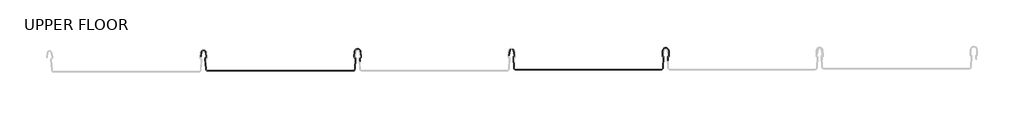
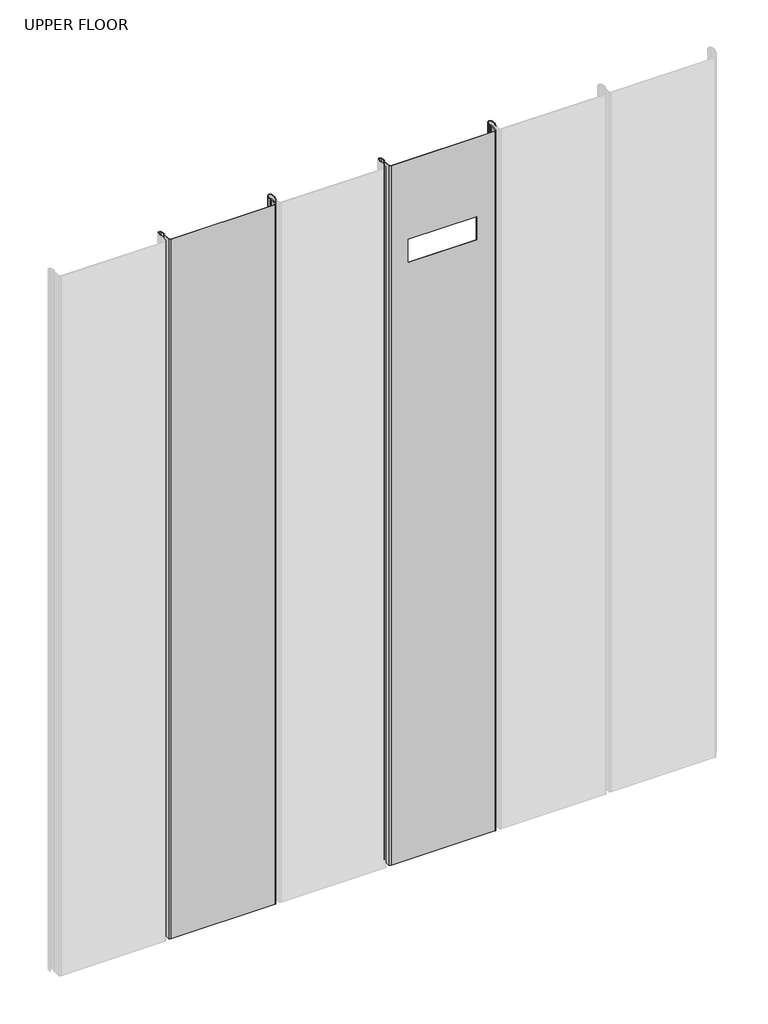
# One storey, part 2 of 3: 2 beams.
"""IFC4 building model written with IfcOpenShell, lengths in millimetres."""

from ifc_helpers import new_model, si_unit, frame, origin, place, context, project, spatial, polyline, circle_curve, element, save
from ifc_brep_helpers import plane_surface, cylinder_surface, revolved_surface, advanced_brep

model = new_model("IFC4")

# Units and contexts
model_context = context("Model", 3, world=origin())
ifc_project = project(units=[si_unit("LENGTHUNIT", "METRE", prefix="MILLI")], contexts=[model_context])

# Site, building, storey
site = spatial("IfcSite", under=ifc_project)
building = spatial("IfcBuilding", under=site)
storey = spatial("IfcBuildingStorey", under=building, Name="UPPER FLOOR", Elevation=2700.0)

# Beams
placement = place(None, origin())
element("IfcBeam", 1, at=placement, inside=storey, context=model_context, shape_type="AdvancedBrep", body=[
    advanced_brep(
    [(6537.6484245, 568.8409644, -2290.7143486), (6542.1824499, 572.6165431, -2290.7143486), (6546.6892644, 568.9772193, -2290.7143486), (6549.1362639, 557.6182823, -2290.7143486), (6547.4776045, 555.1638829, -2290.7143486), (6546.3084397, 553.4528428, -2290.7143486), (6547.7989613, 530.0431518, -2290.7143486), (6551.493413, 526.5782594, -2290.7143486), (6871.7423658, 526.5782594, -2290.7143486), (6875.4351431, 530.0471851, -2290.7143486), (6876.9046464, 553.5311847, -2290.7143486), (6876.2767187, 554.4646027, -2290.7143486), (6874.0650809, 557.5303943, -2290.7143486), (6874.9486196, 568.7068973, -2290.7143486), (6882.1782716, 575.3875772, -2290.7143486), (6889.4079236, 568.7068973, -2290.7143486), (6890.2914624, 557.5303943, -2290.7143486), (6888.0798245, 554.4646027, -2290.7143486), (6887.4518968, 553.5311847, -2290.7143486), (6887.8436113, 547.2712311, -2290.7143486), (6886.8416554, 547.2712311, -2290.7143486), (6886.4342466, 553.7819943, -2290.7143486), (6887.8396626, 555.4354564, -2290.7143486), (6889.2940832, 557.4515869, -2290.7143486), (6888.4043927, 568.7059067, -2290.7143486), (6882.1782716, 574.3875772, -2290.7143486), (6875.9454156, 568.6269005, -2290.7143486), (6875.0578168, 557.3716995, -2290.7143486), (6876.5168806, 555.4354564, -2290.7143486), (6877.9222966, 553.7819943, -2290.7143486), (6876.4331911, 529.9847326, -2290.7143486), (6871.7423658, 525.5782594, -2290.7143486), (6551.4936581, 525.5782594, -2290.7143486), (6546.8009821, 529.9796093, -2290.7143486), (6545.3102476, 553.3926444, -2290.7143486), (6547.2138284, 556.1292569, -2290.7143486), (6548.1504717, 557.4458071, -2290.7143486), (6545.7347867, 568.6501403, -2290.7143486), (6542.1719409, 571.6175289, -2290.7143486), (6538.6979467, 569.0218386, -2290.7143486), (6536.6706959, 557.913848, -2290.7143486), (6535.670836, 558.0979028, -2290.7143486), (6889.2940832, 557.4515869, -10.7143486), (6888.4043927, 568.7059067, -10.7143486), (6887.8436113, 547.2712311, -10.7143486), (6886.8416554, 547.2712311, -10.7143486), (6536.6706959, 557.913848, -10.7143486), (6535.670836, 558.0979028, -10.7143486), (6537.6484245, 568.8409644, -10.7143486), (6538.6979467, 569.0218386, -10.7143486), (6542.1719409, 571.6175289, -10.7143486), (6545.7347867, 568.6501403, -10.7143486), (6548.1504717, 557.4458071, -10.7143486), (6547.2138284, 556.1292569, -10.7143486), (6545.3102476, 553.3926444, -10.7143486), (6546.8009821, 529.9796093, -10.7143486), (6551.4936581, 525.5782594, -10.7143486), (6871.7423658, 525.5782594, -10.7143486), (6876.4331911, 529.9847326, -10.7143486), (6877.9222966, 553.7819943, -10.7143486), (6876.5168806, 555.4354564, -10.7143486), (6875.0578168, 557.3716995, -10.7143486), (6875.9454156, 568.6269005, -10.7143486), (6882.1782716, 574.3875772, -10.7143486), (6887.8396626, 555.4354564, -10.7143486), (6886.4342466, 553.7819943, -10.7143486), (6887.4518968, 553.5311847, -10.7143486), (6888.0798245, 554.4646027, -10.7143486), (6890.2848737, 557.6137392, -10.7143486), (6889.4079236, 568.7068973, -10.7143486), (6882.1782716, 575.3875772, -10.7143486), (6874.9486196, 568.7068973, -10.7143486), (6874.0650809, 557.5303943, -10.7143486), (6876.2767187, 554.4646027, -10.7143486), (6876.9046464, 553.5311847, -10.7143486), (6875.4351431, 530.0471851, -10.7143486), (6871.7423658, 526.5782594, -10.7143486), (6551.493413, 526.5782594, -10.7143486), (6547.7989613, 530.0431518, -10.7143486), (6546.3084397, 553.4528428, -10.7143486), (6547.4776045, 555.1638829, -10.7143486), (6549.1362639, 557.6182823, -10.7143486), (6546.6892644, 568.9772193, -10.7143486), (6542.1824499, 572.6165431, -10.7143486), (6605.2291431, 525.5782594, -269.6767859), (6815.2291431, 525.5782594, -269.6767859), (6815.2291431, 525.5782594, -344.6767859), (6605.2291431, 525.5782594, -344.6767859), (6815.2291431, 526.5782594, -269.6767859), (6605.2291431, 526.5782594, -269.6767859), (6605.2291431, 526.5782594, -344.6767859), (6815.2291431, 526.5782594, -344.6767859)],
    [
        (0, 1, circle_curve(frame((6542.1824499, 568.0063386, -2290.7143486), z_axis=(0.0, 0.0, -1.0), x_axis=(-1.0000000000000002, 0.0, 0.0)), 4.6102046)),
        (1, 2, circle_curve(frame((6542.1824499, 568.0063386, -2290.7143486), z_axis=(0.0, 0.0, -1.0), x_axis=(-0.21059384440200676, 0.9775736456656264, 0.0)), 4.6102046)),
        (2, 3),
        (3, 4, circle_curve(frame((6546.7520714, 557.4418438, -2290.7143486), z_axis=(0.0, 0.0, -1.0), x_axis=(0.9528378408797891, 0.30347989881957954, 0.0)), 2.3907121)),
        (4, 5, circle_curve(frame((6547.9885021, 553.5598143, -2290.7143486), z_axis=(0.0, 0.0, 1.0), x_axis=(-0.06354246328301918, 0.9979791357337721, 0.0)), 1.6834645)),
        (5, 6),
        (6, 7, circle_curve(frame((6551.4914841, 530.2782589, -2290.7143486), z_axis=(0.0, 0.0, 1.0), x_axis=(-0.9999998641088235, -0.0005213274739309239, 0.0)), 3.7)),
        (7, 8),
        (8, 9, circle_curve(frame((6871.7423658, 530.2782594, -2290.7143486), z_axis=(0.0, 0.0, 1.0), x_axis=(-0.06245250868722483, -0.9980479368039756, 0.0)), 3.7)),
        (9, 10),
        (10, 11, circle_curve(frame((6875.9826765, 553.5888767, -2290.7143486), z_axis=(0.0, 0.0, 1.0), x_axis=(0.9479881328261022, -0.3183056707331505, 0.0)), 0.9237732)),
        (11, 12, circle_curve(frame((6876.976741, 557.3002181, -2290.7143486), z_axis=(0.0, 0.0, -1.0), x_axis=(-0.07880737243916829, -0.9968898625471295, 0.0)), 2.9207441)),
        (12, 13),
        (13, 14, circle_curve(frame((6882.1782716, 568.1353699, -2290.7143486), z_axis=(0.0, 0.0, -1.0), x_axis=(-1.0000000000000002, 0.0, 0.0)), 7.2522073)),
        (14, 15, circle_curve(frame((6882.1782716, 568.1353699, -2290.7143486), z_axis=(0.0, 0.0, -1.0), x_axis=(-0.07880737243912266, 0.9968898625471331, 0.0)), 7.2522073)),
        (15, 16),
        (16, 17, circle_curve(frame((6887.3783805, 557.3023233, -2290.7143486), z_axis=(0.0, 0.0, -1.0), x_axis=(0.9707819351134734, 0.239963402329064, 0.0)), 2.9231288)),
        (17, 18, circle_curve(frame((6888.2808188, 553.6514717, -2290.7143486), z_axis=(0.0, 0.0, 1.0), x_axis=(-0.14360843272178023, 0.9896345881441262, 0.0)), 0.8376041)),
        (18, 19),
        (19, 20, circle_curve(frame((6887.3426333, 547.2712311, -2290.7143486), z_axis=(0.0, 0.0, -1.0), x_axis=(0.0, -1.0000000000000002, 0.0)), 0.5009779)),
        (20, 21),
        (21, 22, circle_curve(frame((6888.2845627, 553.6332771, -2290.7143486), z_axis=(0.0, 0.0, -1.0), x_axis=(-0.9708537722163971, -0.2396725953737565, 0.0)), 1.856283)),
        (22, 23, circle_curve(frame((6887.3793128, 557.3002181, -2290.7143486), z_axis=(0.0, 0.0, 1.0), x_axis=(0.07880737243914217, -0.9968898625471315, 0.0)), 1.9207441)),
        (23, 24),
        (24, 25, circle_curve(frame((6882.255321, 568.2198027, -2290.7143486), z_axis=(0.0, 0.0, 1.0), x_axis=(0.999921980842138, 0.012491286112137758, 0.0)), 6.1682558)),
        (25, 26, circle_curve(frame((6882.2574459, 568.049706, -2290.7143486), z_axis=(0.0, 0.0, 1.0), x_axis=(0.09106361391822018, 0.9958450774192509, 0.0)), 6.3383658)),
        (26, 27),
        (27, 28, circle_curve(frame((6876.8812616, 557.2279004, -2290.7143486), z_axis=(0.0, 0.0, 1.0), x_axis=(-0.9799562955839812, 0.19921259685401757, 0.0)), 1.8291061)),
        (28, 29, circle_curve(frame((6876.1669264, 553.7139796, -2290.7143486), z_axis=(0.0, 0.0, -1.0), x_axis=(-0.03871763325448475, 0.9992501913310659, 0.0)), 1.7566874)),
        (29, 30),
        (30, 31, circle_curve(frame((6871.7423658, 530.2782594, -2290.7143486), z_axis=(0.0, 0.0, -1.0), x_axis=(1.0000000000000002, 0.0, 0.0)), 4.7)),
        (31, 32),
        (32, 33, circle_curve(frame((6551.4936581, 530.2805768, -2290.7143486), z_axis=(0.0, 0.0, -1.0), x_axis=(0.0640040759428298, -0.9979496371374184, 0.0)), 4.7023174)),
        (33, 34),
        (34, 35, circle_curve(frame((6547.9843595, 553.5629082, -2290.7143486), z_axis=(0.0, 0.0, -1.0), x_axis=(-0.9577619201002142, -0.2875623487279782, 0.0)), 2.6795268)),
        (35, 36, circle_curve(frame((6547.0809857, 557.215223, -2290.7143486), z_axis=(0.0, 0.0, 1.0), x_axis=(0.21075985505235648, -0.9775378680635908, 0.0)), 1.094061)),
        (36, 37),
        (37, 38, circle_curve(frame((6542.1719409, 567.9949389, -2290.7143486), z_axis=(0.0, 0.0, 1.0), x_axis=(1.0000000000000002, 0.0, 0.0)), 3.6225901)),
        (38, 39, circle_curve(frame((6542.1719409, 567.9949389, -2290.7143486), z_axis=(0.0, 0.0, 1.0), x_axis=(0.2834711363957499, 0.9589807687490415, 0.0)), 3.6225901)),
        (39, 40),
        (40, 41, circle_curve(frame((6536.1707659, 558.0058754, -2290.7143486), z_axis=(0.0, 0.0, -1.0), x_axis=(-0.18103878268247514, -0.9834759575937013, 0.0)), 0.5083296)),
        (41, 0),
        (23, 42),
        (42, 43),
        (43, 24),
        (19, 44),
        (44, 45, circle_curve(frame((6887.3426333, 547.2712311, -10.7143486), z_axis=(0.0, 0.0, -1.0), x_axis=(0.0, -1.0000000000000002, 0.0)), 0.5009779)),
        (45, 20),
        (40, 46),
        (46, 47, circle_curve(frame((6536.1707659, 558.0058754, -10.7143486), z_axis=(0.0, 0.0, -1.0), x_axis=(-0.18103878268247514, -0.9834759575937013, 0.0)), 0.5083296)),
        (47, 41),
        (48, 47),
        (46, 49),
        (49, 50, circle_curve(frame((6542.1719409, 567.9949389, -10.7143486), z_axis=(0.0, 0.0, -1.0), x_axis=(0.2834711363957499, 0.9589807687490415, 0.0)), 3.6225901)),
        (50, 51, circle_curve(frame((6542.1719409, 567.9949389, -10.7143486), z_axis=(0.0, 0.0, -1.0), x_axis=(1.0000000000000002, 0.0, 0.0)), 3.6225901)),
        (51, 52),
        (52, 53, circle_curve(frame((6547.0809857, 557.215223, -10.7143486), z_axis=(0.0, 0.0, -1.0), x_axis=(0.21075985505235648, -0.9775378680635908, 0.0)), 1.094061)),
        (53, 54, circle_curve(frame((6547.9843595, 553.5629082, -10.7143486), z_axis=(0.0, 0.0, 1.0), x_axis=(-0.9577619201002142, -0.2875623487279782, 0.0)), 2.6795268)),
        (54, 55),
        (55, 56, circle_curve(frame((6551.4936581, 530.2805768, -10.7143486), z_axis=(0.0, 0.0, 1.0), x_axis=(0.0640040759428298, -0.9979496371374184, 0.0)), 4.7023174)),
        (56, 57),
        (57, 58, circle_curve(frame((6871.7423658, 530.2782594, -10.7143486), z_axis=(0.0, 0.0, 1.0), x_axis=(1.0000000000000002, 0.0, 0.0)), 4.7)),
        (58, 59),
        (59, 60, circle_curve(frame((6876.1669264, 553.7139796, -10.7143486), z_axis=(0.0, 0.0, 1.0), x_axis=(-0.03871763325448475, 0.9992501913310659, 0.0)), 1.7566874)),
        (60, 61, circle_curve(frame((6876.8812616, 557.2279004, -10.7143486), z_axis=(0.0, 0.0, -1.0), x_axis=(-0.9799562955839812, 0.19921259685401757, 0.0)), 1.8291061)),
        (61, 62),
        (62, 63, circle_curve(frame((6882.2574459, 568.049706, -10.7143486), z_axis=(0.0, 0.0, -1.0), x_axis=(0.09106361391822018, 0.9958450774192509, 0.0)), 6.3383658)),
        (63, 43, circle_curve(frame((6882.255321, 568.2198027, -10.7143486), z_axis=(0.0, 0.0, -1.0), x_axis=(0.999921980842138, 0.012491286112137758, 0.0)), 6.1682558)),
        (42, 64, circle_curve(frame((6887.3793128, 557.3002181, -10.7143486), z_axis=(0.0, 0.0, -1.0), x_axis=(0.07880737243914217, -0.9968898625471315, 0.0)), 1.9207441)),
        (64, 65, circle_curve(frame((6888.2845627, 553.6332771, -10.7143486), z_axis=(0.0, 0.0, 1.0), x_axis=(-0.9708537722163971, -0.2396725953737565, 0.0)), 1.856283)),
        (65, 45),
        (44, 66),
        (66, 67, circle_curve(frame((6888.2808188, 553.6514717, -10.7143486), z_axis=(0.0, 0.0, -1.0), x_axis=(-0.14360843272178023, 0.9896345881441262, 0.0)), 0.8376041)),
        (67, 68, circle_curve(frame((6887.3783805, 557.3023233, -10.7143486), z_axis=(0.0, 0.0, 1.0), x_axis=(0.9707819351134734, 0.239963402329064, 0.0)), 2.9231288)),
        (68, 69),
        (69, 70, circle_curve(frame((6882.1782716, 568.1353699, -10.7143486), z_axis=(0.0, 0.0, 1.0), x_axis=(-0.07880737243912266, 0.9968898625471331, 0.0)), 7.2522073)),
        (70, 71, circle_curve(frame((6882.1782716, 568.1353699, -10.7143486), z_axis=(0.0, 0.0, 1.0), x_axis=(-1.0000000000000002, 0.0, 0.0)), 7.2522073)),
        (71, 72),
        (72, 73, circle_curve(frame((6876.976741, 557.3002181, -10.7143486), z_axis=(0.0, 0.0, 1.0), x_axis=(-0.07880737243916829, -0.9968898625471295, 0.0)), 2.9207441)),
        (73, 74, circle_curve(frame((6875.9826765, 553.5888767, -10.7143486), z_axis=(0.0, 0.0, -1.0), x_axis=(0.9479881328261022, -0.3183056707331505, 0.0)), 0.9237732)),
        (74, 75),
        (75, 76, circle_curve(frame((6871.7423658, 530.2782594, -10.7143486), z_axis=(0.0, 0.0, -1.0), x_axis=(-0.06245250868722483, -0.9980479368039756, 0.0)), 3.7)),
        (76, 77),
        (77, 78, circle_curve(frame((6551.4914841, 530.2782589, -10.7143486), z_axis=(0.0, 0.0, -1.0), x_axis=(-0.9999998641088235, -0.0005213274739309239, 0.0)), 3.7)),
        (78, 79),
        (79, 80, circle_curve(frame((6547.9885021, 553.5598143, -10.7143486), z_axis=(0.0, 0.0, -1.0), x_axis=(-0.06354246328301918, 0.9979791357337721, 0.0)), 1.6834645)),
        (80, 81, circle_curve(frame((6546.7520714, 557.4418438, -10.7143486), z_axis=(0.0, 0.0, 1.0), x_axis=(0.9528378408797891, 0.30347989881957954, 0.0)), 2.3907121)),
        (81, 82),
        (82, 83, circle_curve(frame((6542.1824499, 568.0063386, -10.7143486), z_axis=(0.0, 0.0, 1.0), x_axis=(-0.21059384440200676, 0.9775736456656264, 0.0)), 4.6102046)),
        (83, 48, circle_curve(frame((6542.1824499, 568.0063386, -10.7143486), z_axis=(0.0, 0.0, 1.0), x_axis=(-1.0000000000000002, 0.0, 0.0)), 4.6102046)),
        (48, 0),
        (39, 49),
        (38, 50),
        (37, 51),
        (36, 52),
        (35, 53),
        (34, 54),
        (33, 55),
        (32, 56),
        (31, 57),
        (84, 85),
        (85, 86),
        (86, 87),
        (87, 84),
        (30, 58),
        (29, 59),
        (28, 60),
        (27, 61),
        (26, 62),
        (25, 63),
        (22, 64),
        (21, 65),
        (18, 66),
        (17, 67),
        (16, 68),
        (15, 69),
        (14, 70),
        (13, 71),
        (12, 72),
        (11, 73),
        (10, 74),
        (9, 75),
        (8, 76),
        (7, 77),
        (88, 89),
        (89, 90),
        (90, 91),
        (91, 88),
        (6, 78),
        (5, 79),
        (4, 80),
        (3, 81),
        (2, 82),
        (1, 83),
        (84, 89),
        (88, 85),
        (86, 91),
        (90, 87),
    ],
    [
        plane_surface(frame((6535.670836, 558.0979028, -2290.7143486), z_axis=(0.0, 0.0, -1.0), x_axis=(0.18103878268248982, 0.9834759575936985, 0.0))),
        plane_surface(frame((6888.849238, 563.0787468, -2290.7143486), z_axis=(-0.9968898625470922, -0.07880737243963654, 0.0), x_axis=(0.07880737243963654, -0.9968898625470922, 0.0))),
        cylinder_surface(frame((6887.3426333, 547.2712311, -2290.7143486), z_axis=(0.0, 0.0, 1.0000000000000002), x_axis=(0.0, -1.0000000000000002, 0.0)), 0.5009779),
        cylinder_surface(frame((6536.1707659, 558.0058754, -2290.7143486), z_axis=(0.0, 0.0, 1.0000000000000002), x_axis=(-0.18103878268247514, -0.9834759575937013, 0.0)), 0.5083296),
        plane_surface(frame((6535.670836, 558.0979028, -10.7143486), z_axis=(0.0, 0.0, 1.0), x_axis=(-0.18103878268248982, -0.9834759575936985, 0.0))),
        plane_surface(frame((6536.6596303, 563.4694336, -2290.7143486), z_axis=(-0.9834759575937928, 0.18103878268197757, 0.0), x_axis=(-0.18103878268197757, -0.9834759575937928, 0.0))),
        plane_surface(frame((6537.6843213, 563.4678433, -2290.7143486), z_axis=(0.9837509798366513, -0.1795383236816822, 0.0), x_axis=(0.1795383236816822, 0.9837509798366513, 0.0))),
        revolved_surface(polyline([(6543.198840632343, 571.4689331389607, -10.714348599999084), (6543.198840632343, 571.4689331389607, -2290.7143486)]), (6542.1719409, 567.9949389, -2290.7143486), (0.0, 0.0, 1.0000000000000002)),
        revolved_surface(polyline([(6545.794531, 567.9949389, -10.714348599999084), (6545.794531, 567.9949389, -2290.7143486)]), (6542.1719409, 567.9949389, -2290.7143486), (0.0, 0.0, 1.0000000000000002)),
        plane_surface(frame((6546.9426292, 563.0479737, -2290.7143486), z_axis=(-0.9775378680634894, -0.21075985505282563, 0.0), x_axis=(0.21075985505282563, -0.9775378680634894, 0.0))),
        revolved_surface(polyline([(6547.311569837779, 556.1457369425285, -10.714348599999084), (6547.311569837779, 556.1457369425285, -2290.7143486)]), (6547.0809857, 557.215223, -2290.7143486), (0.0, 0.0, 1.0000000000000002)),
        cylinder_surface(frame((6547.9843595, 553.5629082, -2290.7143486), z_axis=(0.0, 0.0, 1.0000000000000002), x_axis=(-0.9577619201002142, -0.2875623487279782, 0.0)), 2.6795268),
        plane_surface(frame((6546.0556149, 541.6861269, -2290.7143486), z_axis=(-0.9979791357337515, -0.06354246328333876, 0.0), x_axis=(0.06354246328333876, -0.9979791357337515, 0.0))),
        cylinder_surface(frame((6551.4936581, 530.2805768, -2290.7143486), z_axis=(0.0, 0.0, 1.0000000000000002), x_axis=(0.0640040759428298, -0.9979496371374184, 0.0)), 4.7023174),
        plane_surface(frame((6711.6180119, 525.5782594, -2290.7143486), z_axis=(0.0, -1.0, 0.0), x_axis=(1.0, 0.0, 0.0))),
        cylinder_surface(frame((6871.7423658, 530.2782594, -2290.7143486), z_axis=(0.0, 0.0, 1.0000000000000002), x_axis=(1.0000000000000002, 0.0, 0.0)), 4.7),
        plane_surface(frame((6877.1777438, 541.8833635, -2290.7143486), z_axis=(0.9980479368039599, -0.06245250868747559, 0.0), x_axis=(0.06245250868747559, 0.9980479368039599, 0.0))),
        cylinder_surface(frame((6876.1669264, 553.7139796, -2290.7143486), z_axis=(0.0, 0.0, 1.0000000000000002), x_axis=(-0.03871763325448475, 0.9992501913310659, 0.0)), 1.7566874),
        revolved_surface(polyline([(6875.088817562014, 557.5922813761025, -10.714348599999084), (6875.088817562014, 557.5922813761025, -2290.7143486)]), (6876.8812616, 557.2279004, -2290.7143486), (0.0, 0.0, 1.0000000000000002)),
        plane_surface(frame((6875.5016162, 562.9993, -2290.7143486), z_axis=(0.9969048840807633, -0.0786171234268975, 0.0), x_axis=(0.0786171234268975, 0.9969048840807633, 0.0))),
        revolved_surface(polyline([(6882.834640396083, 574.3617363808125, -10.714348599999084), (6882.834640396083, 574.3617363808125, -2290.7143486)]), (6882.2574459, 568.049706, -2290.7143486), (0.0, 0.0, 1.0000000000000002)),
        revolved_surface(polyline([(6888.423095557877, 568.2968521480105, -10.714348599999084), (6888.423095557877, 568.2968521480105, -2290.7143486)]), (6882.255321, 568.2198027, -2290.7143486), (0.0, 0.0, 1.0000000000000002)),
        revolved_surface(polyline([(6887.530681595649, 555.3854477781629, -10.714348599999084), (6887.530681595649, 555.3854477781629, -2290.7143486)]), (6887.3793128, 557.3002181, -2290.7143486), (0.0, 0.0, 1.0000000000000002)),
        cylinder_surface(frame((6888.2845627, 553.6332771, -2290.7143486), z_axis=(0.0, 0.0, 1.0000000000000002), x_axis=(-0.9708537722163971, -0.2396725953737565, 0.0)), 1.856283),
        plane_surface(frame((6886.637951, 550.5266127, -2290.7143486), z_axis=(-0.9980479368039223, -0.06245250868807291, 0.0), x_axis=(0.06245250868807291, -0.9980479368039223, 0.0))),
        plane_surface(frame((6887.6477541, 550.4012079, -2290.7143486), z_axis=(0.9980479368040359, 0.06245250868625923, 0.0), x_axis=(-0.06245250868625923, 0.9980479368040359, 0.0))),
        revolved_surface(polyline([(6888.160531787958, 554.4803936885313, -10.714348599999084), (6888.160531787958, 554.4803936885313, -2290.7143486)]), (6888.2808188, 553.6514717, -2290.7143486), (0.0, 0.0, 1.0000000000000002)),
        cylinder_surface(frame((6887.3783805, 557.3023233, -2290.7143486), z_axis=(0.0, 0.0, 1.0000000000000002), x_axis=(0.9707819351134734, 0.239963402329064, 0.0)), 2.9231288),
        plane_surface(frame((6889.849693, 563.1186458, -2290.7143486), z_axis=(0.9968898625471736, 0.07880737243860805, 0.0), x_axis=(-0.07880737243860805, 0.9968898625471736, 0.0))),
        cylinder_surface(frame((6882.1782716, 568.1353699, -2290.7143486), z_axis=(0.0, 0.0, 1.0000000000000002), x_axis=(-0.07880737243912266, 0.9968898625471331, 0.0)), 7.2522073),
        cylinder_surface(frame((6882.1782716, 568.1353699, -2290.7143486), z_axis=(0.0, 0.0, 1.0000000000000002), x_axis=(-1.0000000000000002, 0.0, 0.0)), 7.2522073),
        plane_surface(frame((6874.5068502, 563.1186458, -2290.7143486), z_axis=(-0.996889862547171, 0.07880737243863997, 0.0), x_axis=(-0.07880737243863997, -0.996889862547171, 0.0))),
        cylinder_surface(frame((6876.976741, 557.3002181, -2290.7143486), z_axis=(0.0, 0.0, 1.0000000000000002), x_axis=(-0.07880737243916829, -0.9968898625471295, 0.0)), 2.9207441),
        revolved_surface(polyline([(6876.858402531023, 553.2948344519687, -10.714348599999084), (6876.858402531023, 553.2948344519687, -2290.7143486)]), (6875.9826765, 553.5888767, -2290.7143486), (0.0, 0.0, 1.0000000000000002)),
        plane_surface(frame((6876.1698948, 541.7891849, -2290.7143486), z_axis=(-0.9980479368039905, 0.06245250868698511, 0.0), x_axis=(-0.06245250868698511, -0.9980479368039905, 0.0))),
        revolved_surface(polyline([(6871.511291517857, 526.5854820338253, -10.714348599999084), (6871.511291517857, 526.5854820338253, -2290.7143486)]), (6871.7423658, 530.2782594, -2290.7143486), (0.0, 0.0, 1.0000000000000002)),
        plane_surface(frame((6711.6178894, 526.5782594, -2290.7143486), z_axis=(0.0, 1.0, 0.0), x_axis=(-1.0, 0.0, 0.0))),
        revolved_surface(polyline([(6547.791484602797, 530.2763299883464, -10.714348599999084), (6547.791484602797, 530.2763299883464, -2290.7143486)]), (6551.4914841, 530.2782589, -2290.7143486), (0.0, 0.0, 1.0000000000000002)),
        plane_surface(frame((6547.0537005, 541.7479973, -2290.7143486), z_axis=(0.9979791357337829, 0.06354246328284437, 0.0), x_axis=(-0.06354246328284437, 0.9979791357337829, 0.0))),
        revolved_surface(polyline([(6547.881530618821, 555.2398767467485, -10.714348599999084), (6547.881530618821, 555.2398767467485, -2290.7143486)]), (6547.9885021, 553.5598143, -2290.7143486), (0.0, 0.0, 1.0000000000000002)),
        cylinder_surface(frame((6546.7520714, 557.4418438, -2290.7143486), z_axis=(0.0, 0.0, 1.0000000000000002), x_axis=(0.9528378408797891, 0.30347989881957954, 0.0)), 2.3907121),
        plane_surface(frame((6547.9127641, 563.2977508, -2290.7143486), z_axis=(0.9775736456657299, 0.21059384440152557, 0.0), x_axis=(-0.21059384440152557, 0.9775736456657299, 0.0))),
        cylinder_surface(frame((6542.1824499, 568.0063386, -2290.7143486), z_axis=(0.0, 0.0, 1.0000000000000002), x_axis=(-0.21059384440200676, 0.9775736456656264, 0.0)), 4.6102046),
        cylinder_surface(frame((6542.1824499, 568.0063386, -2290.7143486), z_axis=(0.0, 0.0, 1.0000000000000002), x_axis=(-1.0000000000000002, 0.0, 0.0)), 4.6102046),
        plane_surface(frame((6815.2291431, 412.8031594, -269.6767859), z_axis=(0.0, 0.0, -1.0), x_axis=(0.0, 1.0, 0.0))),
        plane_surface(frame((6815.2291431, 412.8031594, -344.6767859), z_axis=(0.0, 0.0, 1.0), x_axis=(0.0, -1.0, 0.0))),
        plane_surface(frame((6815.2291431, 412.8031594, -269.6767859), z_axis=(-1.0, 0.0, 0.0), x_axis=(0.0, 0.0, -1.0))),
        plane_surface(frame((6605.2291431, 622.8031594, -269.6767859), z_axis=(1.0, 0.0, 0.0), x_axis=(0.0, 0.0, -1.0))),
    ],
    [
        (0, [[1, 2, 3, 4, 5, 6, 7, 8, 9, 10, 11, 12, 13, 14, 15, 16, 17, 18, 19, 20, 21, 22, 23, 24, 25, 26, 27, 28, 29, 30, 31, 32, 33, 34, 35, 36, 37, 38, 39, 40, 41, 42]]),
        (1, [[-24, 43, 44, 45]]),
        (2, [[-20, 46, 47, 48]]),
        (3, [[-41, 49, 50, 51]]),
        (4, [[52, -50, 53, 54, 55, 56, 57, 58, 59, 60, 61, 62, 63, 64, 65, 66, 67, 68, -44, 69, 70, 71, -47, 72, 73, 74, 75, 76, 77, 78, 79, 80, 81, 82, 83, 84, 85, 86, 87, 88, 89, 90]]),
        (5, [[-42, -51, -52, 91]]),
        (6, [[-40, 92, -53, -49]]),
        (7, [[-39, 93, -54, -92]]),
        (8, [[-38, 94, -55, -93]]),
        (9, [[-37, 95, -56, -94]]),
        (10, [[-36, 96, -57, -95]]),
        (11, [[-35, 97, -58, -96]]),
        (12, [[-34, 98, -59, -97]]),
        (13, [[-33, 99, -60, -98]]),
        (14, [[-32, 100, -61, -99], [101, 102, 103, 104]]),
        (15, [[-31, 105, -62, -100]]),
        (16, [[-30, 106, -63, -105]]),
        (17, [[-29, 107, -64, -106]]),
        (18, [[-28, 108, -65, -107]]),
        (19, [[-27, 109, -66, -108]]),
        (20, [[-26, 110, -67, -109]]),
        (21, [[-25, -45, -68, -110]]),
        (22, [[-23, 111, -69, -43]]),
        (23, [[-22, 112, -70, -111]]),
        (24, [[-21, -48, -71, -112]]),
        (25, [[-19, 113, -72, -46]]),
        (26, [[-18, 114, -73, -113]]),
        (27, [[-17, 115, -74, -114]]),
        (28, [[-16, 116, -75, -115]]),
        (29, [[-15, 117, -76, -116]]),
        (30, [[-14, 118, -77, -117]]),
        (31, [[-13, 119, -78, -118]]),
        (32, [[-12, 120, -79, -119]]),
        (33, [[-11, 121, -80, -120]]),
        (34, [[-10, 122, -81, -121]]),
        (35, [[-9, 123, -82, -122]]),
        (36, [[-8, 124, -83, -123], [125, 126, 127, 128]]),
        (37, [[-7, 129, -84, -124]]),
        (38, [[-6, 130, -85, -129]]),
        (39, [[-5, 131, -86, -130]]),
        (40, [[-4, 132, -87, -131]]),
        (41, [[-3, 133, -88, -132]]),
        (42, [[-2, 134, -89, -133]]),
        (43, [[-1, -91, -90, -134]]),
        (44, [[135, -125, 136, -101]]),
        (45, [[137, -127, 138, -103]]),
        (46, [[-136, -128, -137, -102]]),
        (47, [[-135, -104, -138, -126]]),
    ],
),
])
element("IfcBeam", 2, at=placement, inside=storey, context=model_context, shape_type="AdvancedBrep", body=[
    advanced_brep(
    [(5857.729954, 566.3409644, -2290.7143486), (5862.2639794, 570.1165431, -2290.7143486), (5866.7707939, 566.4772193, -2290.7143486), (5869.2177933, 555.1182823, -2290.7143486), (5867.559134, 552.6638829, -2290.7143486), (5866.3899692, 550.9528428, -2290.7143486), (5867.8804907, 527.5431518, -2290.7143486), (5871.5749424, 524.0782594, -2290.7143486), (6191.8238952, 524.0782594, -2290.7143486), (6195.5166726, 527.5471851, -2290.7143486), (6196.9861758, 551.0311847, -2290.7143486), (6196.3582482, 551.9646027, -2290.7143486), (6194.1466103, 555.0303943, -2290.7143486), (6195.0301491, 566.2068973, -2290.7143486), (6202.2598011, 572.8875772, -2290.7143486), (6209.489453, 566.2068973, -2290.7143486), (6210.3729918, 555.0303943, -2290.7143486), (6208.1613539, 551.9646027, -2290.7143486), (6207.5334263, 551.0311847, -2290.7143486), (6207.9251407, 544.7712311, -2290.7143486), (6206.9231849, 544.7712311, -2290.7143486), (6206.5157761, 551.2819943, -2290.7143486), (6207.921192, 552.9354564, -2290.7143486), (6209.3756126, 554.9515869, -2290.7143486), (6208.4859222, 566.2059067, -2290.7143486), (6202.2598011, 571.8875772, -2290.7143486), (6196.026945, 566.1269005, -2290.7143486), (6195.1393463, 554.8716995, -2290.7143486), (6196.5984101, 552.9354564, -2290.7143486), (6198.0038261, 551.2819943, -2290.7143486), (6196.5147205, 527.4847326, -2290.7143486), (6191.8238952, 523.0782594, -2290.7143486), (5871.5751875, 523.0782594, -2290.7143486), (5866.8825116, 527.4796093, -2290.7143486), (5865.3917771, 550.8926444, -2290.7143486), (5867.2953579, 553.6292569, -2290.7143486), (5868.2320012, 554.9458071, -2290.7143486), (5865.8163161, 566.1501403, -2290.7143486), (5862.2534704, 569.1175289, -2290.7143486), (5858.7794762, 566.5218386, -2290.7143486), (5856.7522254, 555.413848, -2290.7143486), (5855.7523655, 555.5979028, -2290.7143486), (6209.3756126, 554.9515869, -10.7143486), (6208.4859222, 566.2059067, -10.7143486), (6207.9251407, 544.7712311, -10.7143486), (6206.9231849, 544.7712311, -10.7143486), (5856.7522254, 555.413848, -10.7143486), (5855.7523655, 555.5979028, -10.7143486), (5857.729954, 566.3409644, -10.7143486), (5858.7794762, 566.5218386, -10.7143486), (5862.2534704, 569.1175289, -10.7143486), (5865.8163161, 566.1501403, -10.7143486), (5868.2320012, 554.9458071, -10.7143486), (5867.2953579, 553.6292569, -10.7143486), (5865.3917771, 550.8926444, -10.7143486), (5866.8825116, 527.4796093, -10.7143486), (5871.5751875, 523.0782594, -10.7143486), (6191.8238952, 523.0782594, -10.7143486), (6196.5147205, 527.4847326, -10.7143486), (6198.0038261, 551.2819943, -10.7143486), (6196.5984101, 552.9354564, -10.7143486), (6195.1393463, 554.8716995, -10.7143486), (6196.026945, 566.1269005, -10.7143486), (6202.2598011, 571.8875772, -10.7143486), (6207.921192, 552.9354564, -10.7143486), (6206.5157761, 551.2819943, -10.7143486), (6207.5334263, 551.0311847, -10.7143486), (6208.1613539, 551.9646027, -10.7143486), (6210.3664031, 555.1137392, -10.7143486), (6209.489453, 566.2068973, -10.7143486), (6202.2598011, 572.8875772, -10.7143486), (6195.0301491, 566.2068973, -10.7143486), (6194.1466103, 555.0303943, -10.7143486), (6196.3582482, 551.9646027, -10.7143486), (6196.9861758, 551.0311847, -10.7143486), (6195.5166726, 527.5471851, -10.7143486), (6191.8238952, 524.0782594, -10.7143486), (5871.5749424, 524.0782594, -10.7143486), (5867.8804907, 527.5431518, -10.7143486), (5866.3899692, 550.9528428, -10.7143486), (5867.559134, 552.6638829, -10.7143486), (5869.2177933, 555.1182823, -10.7143486), (5866.7707939, 566.4772193, -10.7143486), (5862.2639794, 570.1165431, -10.7143486)],
    [
        (0, 1, circle_curve(frame((5862.2639794, 565.5063386, -2290.7143486), z_axis=(0.0, 0.0, -1.0), x_axis=(-1.0000000000000002, 0.0, 0.0)), 4.6102046)),
        (1, 2, circle_curve(frame((5862.2639794, 565.5063386, -2290.7143486), z_axis=(0.0, 0.0, -1.0), x_axis=(-0.21059384440200676, 0.9775736456656264, 0.0)), 4.6102046)),
        (2, 3),
        (3, 4, circle_curve(frame((5866.8336009, 554.9418438, -2290.7143486), z_axis=(0.0, 0.0, -1.0), x_axis=(0.9528378408797891, 0.30347989881957954, 0.0)), 2.3907121)),
        (4, 5, circle_curve(frame((5868.0700316, 551.0598143, -2290.7143486), z_axis=(0.0, 0.0, 1.0), x_axis=(-0.06354246328301918, 0.9979791357337721, 0.0)), 1.6834645)),
        (5, 6),
        (6, 7, circle_curve(frame((5871.5730135, 527.7782589, -2290.7143486), z_axis=(0.0, 0.0, 1.0), x_axis=(-0.9999998641088235, -0.0005213274739309239, 0.0)), 3.7)),
        (7, 8),
        (8, 9, circle_curve(frame((6191.8238952, 527.7782594, -2290.7143486), z_axis=(0.0, 0.0, 1.0), x_axis=(-0.06245250868722483, -0.9980479368039756, 0.0)), 3.7)),
        (9, 10),
        (10, 11, circle_curve(frame((6196.064206, 551.0888767, -2290.7143486), z_axis=(0.0, 0.0, 1.0), x_axis=(0.9479881328261022, -0.3183056707331505, 0.0)), 0.9237732)),
        (11, 12, circle_curve(frame((6197.0582705, 554.8002181, -2290.7143486), z_axis=(0.0, 0.0, -1.0), x_axis=(-0.07880737243916829, -0.9968898625471295, 0.0)), 2.9207441)),
        (12, 13),
        (13, 14, circle_curve(frame((6202.2598011, 565.6353699, -2290.7143486), z_axis=(0.0, 0.0, -1.0), x_axis=(-1.0000000000000002, 0.0, 0.0)), 7.2522073)),
        (14, 15, circle_curve(frame((6202.2598011, 565.6353699, -2290.7143486), z_axis=(0.0, 0.0, -1.0), x_axis=(-0.07880737243912266, 0.9968898625471331, 0.0)), 7.2522073)),
        (15, 16),
        (16, 17, circle_curve(frame((6207.45991, 554.8023233, -2290.7143486), z_axis=(0.0, 0.0, -1.0), x_axis=(0.9707819351134734, 0.239963402329064, 0.0)), 2.9231288)),
        (17, 18, circle_curve(frame((6208.3623483, 551.1514717, -2290.7143486), z_axis=(0.0, 0.0, 1.0), x_axis=(-0.14360843272178023, 0.9896345881441262, 0.0)), 0.8376041)),
        (18, 19),
        (19, 20, circle_curve(frame((6207.4241628, 544.7712311, -2290.7143486), z_axis=(0.0, 0.0, -1.0), x_axis=(0.0, -1.0000000000000002, 0.0)), 0.5009779)),
        (20, 21),
        (21, 22, circle_curve(frame((6208.3660922, 551.1332771, -2290.7143486), z_axis=(0.0, 0.0, -1.0), x_axis=(-0.9708537722163971, -0.2396725953737565, 0.0)), 1.856283)),
        (22, 23, circle_curve(frame((6207.4608423, 554.8002181, -2290.7143486), z_axis=(0.0, 0.0, 1.0), x_axis=(0.07880737243914217, -0.9968898625471315, 0.0)), 1.9207441)),
        (23, 24),
        (24, 25, circle_curve(frame((6202.3368505, 565.7198027, -2290.7143486), z_axis=(0.0, 0.0, 1.0), x_axis=(0.999921980842138, 0.012491286112137758, 0.0)), 6.1682558)),
        (25, 26, circle_curve(frame((6202.3389754, 565.549706, -2290.7143486), z_axis=(0.0, 0.0, 1.0), x_axis=(0.09106361391822018, 0.9958450774192509, 0.0)), 6.3383658)),
        (26, 27),
        (27, 28, circle_curve(frame((6196.9627911, 554.7279004, -2290.7143486), z_axis=(0.0, 0.0, 1.0), x_axis=(-0.9799562955839812, 0.19921259685401757, 0.0)), 1.8291061)),
        (28, 29, circle_curve(frame((6196.2484558, 551.2139796, -2290.7143486), z_axis=(0.0, 0.0, -1.0), x_axis=(-0.03871763325448475, 0.9992501913310659, 0.0)), 1.7566874)),
        (29, 30),
        (30, 31, circle_curve(frame((6191.8238952, 527.7782594, -2290.7143486), z_axis=(0.0, 0.0, -1.0), x_axis=(1.0000000000000002, 0.0, 0.0)), 4.7)),
        (31, 32),
        (32, 33, circle_curve(frame((5871.5751875, 527.7805768, -2290.7143486), z_axis=(0.0, 0.0, -1.0), x_axis=(0.0640040759428298, -0.9979496371374184, 0.0)), 4.7023174)),
        (33, 34),
        (34, 35, circle_curve(frame((5868.0658889, 551.0629082, -2290.7143486), z_axis=(0.0, 0.0, -1.0), x_axis=(-0.9577619201002142, -0.2875623487279782, 0.0)), 2.6795268)),
        (35, 36, circle_curve(frame((5867.1625151, 554.715223, -2290.7143486), z_axis=(0.0, 0.0, 1.0), x_axis=(0.21075985505235648, -0.9775378680635908, 0.0)), 1.094061)),
        (36, 37),
        (37, 38, circle_curve(frame((5862.2534704, 565.4949389, -2290.7143486), z_axis=(0.0, 0.0, 1.0), x_axis=(1.0000000000000002, 0.0, 0.0)), 3.6225901)),
        (38, 39, circle_curve(frame((5862.2534704, 565.4949389, -2290.7143486), z_axis=(0.0, 0.0, 1.0), x_axis=(0.2834711363957499, 0.9589807687490415, 0.0)), 3.6225901)),
        (39, 40),
        (40, 41, circle_curve(frame((5856.2522954, 555.5058754, -2290.7143486), z_axis=(0.0, 0.0, -1.0), x_axis=(-0.18103878268247514, -0.9834759575937013, 0.0)), 0.5083296)),
        (41, 0),
        (42, 43),
        (43, 24),
        (23, 42),
        (44, 45, circle_curve(frame((6207.4241628, 544.7712311, -10.7143486), z_axis=(0.0, 0.0, -1.0), x_axis=(0.0, -1.0000000000000002, 0.0)), 0.5009779)),
        (45, 20),
        (19, 44),
        (46, 47, circle_curve(frame((5856.2522954, 555.5058754, -10.7143486), z_axis=(0.0, 0.0, -1.0), x_axis=(-0.18103878268247514, -0.9834759575937013, 0.0)), 0.5083296)),
        (47, 41),
        (40, 46),
        (48, 47),
        (46, 49),
        (49, 50, circle_curve(frame((5862.2534704, 565.4949389, -10.7143486), z_axis=(0.0, 0.0, -1.0), x_axis=(0.2834711363957499, 0.9589807687490415, 0.0)), 3.6225901)),
        (50, 51, circle_curve(frame((5862.2534704, 565.4949389, -10.7143486), z_axis=(0.0, 0.0, -1.0), x_axis=(1.0000000000000002, 0.0, 0.0)), 3.6225901)),
        (51, 52),
        (52, 53, circle_curve(frame((5867.1625151, 554.715223, -10.7143486), z_axis=(0.0, 0.0, -1.0), x_axis=(0.21075985505235648, -0.9775378680635908, 0.0)), 1.094061)),
        (53, 54, circle_curve(frame((5868.0658889, 551.0629082, -10.7143486), z_axis=(0.0, 0.0, 1.0), x_axis=(-0.9577619201002142, -0.2875623487279782, 0.0)), 2.6795268)),
        (54, 55),
        (55, 56, circle_curve(frame((5871.5751875, 527.7805768, -10.7143486), z_axis=(0.0, 0.0, 1.0), x_axis=(0.0640040759428298, -0.9979496371374184, 0.0)), 4.7023174)),
        (56, 57),
        (57, 58, circle_curve(frame((6191.8238952, 527.7782594, -10.7143486), z_axis=(0.0, 0.0, 1.0), x_axis=(1.0000000000000002, 0.0, 0.0)), 4.7)),
        (58, 59),
        (59, 60, circle_curve(frame((6196.2484558, 551.2139796, -10.7143486), z_axis=(0.0, 0.0, 1.0), x_axis=(-0.03871763325448475, 0.9992501913310659, 0.0)), 1.7566874)),
        (60, 61, circle_curve(frame((6196.9627911, 554.7279004, -10.7143486), z_axis=(0.0, 0.0, -1.0), x_axis=(-0.9799562955839812, 0.19921259685401757, 0.0)), 1.8291061)),
        (61, 62),
        (62, 63, circle_curve(frame((6202.3389754, 565.549706, -10.7143486), z_axis=(0.0, 0.0, -1.0), x_axis=(0.09106361391822018, 0.9958450774192509, 0.0)), 6.3383658)),
        (63, 43, circle_curve(frame((6202.3368505, 565.7198027, -10.7143486), z_axis=(0.0, 0.0, -1.0), x_axis=(0.999921980842138, 0.012491286112137758, 0.0)), 6.1682558)),
        (42, 64, circle_curve(frame((6207.4608423, 554.8002181, -10.7143486), z_axis=(0.0, 0.0, -1.0), x_axis=(0.07880737243914217, -0.9968898625471315, 0.0)), 1.9207441)),
        (64, 65, circle_curve(frame((6208.3660922, 551.1332771, -10.7143486), z_axis=(0.0, 0.0, 1.0), x_axis=(-0.9708537722163971, -0.2396725953737565, 0.0)), 1.856283)),
        (65, 45),
        (44, 66),
        (66, 67, circle_curve(frame((6208.3623483, 551.1514717, -10.7143486), z_axis=(0.0, 0.0, -1.0), x_axis=(-0.14360843272178023, 0.9896345881441262, 0.0)), 0.8376041)),
        (67, 68, circle_curve(frame((6207.45991, 554.8023233, -10.7143486), z_axis=(0.0, 0.0, 1.0), x_axis=(0.9707819351134734, 0.239963402329064, 0.0)), 2.9231288)),
        (68, 69),
        (69, 70, circle_curve(frame((6202.2598011, 565.6353699, -10.7143486), z_axis=(0.0, 0.0, 1.0), x_axis=(-0.07880737243912266, 0.9968898625471331, 0.0)), 7.2522073)),
        (70, 71, circle_curve(frame((6202.2598011, 565.6353699, -10.7143486), z_axis=(0.0, 0.0, 1.0), x_axis=(-1.0000000000000002, 0.0, 0.0)), 7.2522073)),
        (71, 72),
        (72, 73, circle_curve(frame((6197.0582705, 554.8002181, -10.7143486), z_axis=(0.0, 0.0, 1.0), x_axis=(-0.07880737243916829, -0.9968898625471295, 0.0)), 2.9207441)),
        (73, 74, circle_curve(frame((6196.064206, 551.0888767, -10.7143486), z_axis=(0.0, 0.0, -1.0), x_axis=(0.9479881328261022, -0.3183056707331505, 0.0)), 0.9237732)),
        (74, 75),
        (75, 76, circle_curve(frame((6191.8238952, 527.7782594, -10.7143486), z_axis=(0.0, 0.0, -1.0), x_axis=(-0.06245250868722483, -0.9980479368039756, 0.0)), 3.7)),
        (76, 77),
        (77, 78, circle_curve(frame((5871.5730135, 527.7782589, -10.7143486), z_axis=(0.0, 0.0, -1.0), x_axis=(-0.9999998641088235, -0.0005213274739309239, 0.0)), 3.7)),
        (78, 79),
        (79, 80, circle_curve(frame((5868.0700316, 551.0598143, -10.7143486), z_axis=(0.0, 0.0, -1.0), x_axis=(-0.06354246328301918, 0.9979791357337721, 0.0)), 1.6834645)),
        (80, 81, circle_curve(frame((5866.8336009, 554.9418438, -10.7143486), z_axis=(0.0, 0.0, 1.0), x_axis=(0.9528378408797891, 0.30347989881957954, 0.0)), 2.3907121)),
        (81, 82),
        (82, 83, circle_curve(frame((5862.2639794, 565.5063386, -10.7143486), z_axis=(0.0, 0.0, 1.0), x_axis=(-0.21059384440200676, 0.9775736456656264, 0.0)), 4.6102046)),
        (83, 48, circle_curve(frame((5862.2639794, 565.5063386, -10.7143486), z_axis=(0.0, 0.0, 1.0), x_axis=(-1.0000000000000002, 0.0, 0.0)), 4.6102046)),
        (48, 0),
        (39, 49),
        (38, 50),
        (37, 51),
        (36, 52),
        (35, 53),
        (34, 54),
        (33, 55),
        (32, 56),
        (31, 57),
        (30, 58),
        (29, 59),
        (28, 60),
        (27, 61),
        (26, 62),
        (25, 63),
        (22, 64),
        (21, 65),
        (18, 66),
        (17, 67),
        (16, 68),
        (15, 69),
        (14, 70),
        (13, 71),
        (12, 72),
        (11, 73),
        (10, 74),
        (9, 75),
        (8, 76),
        (7, 77),
        (6, 78),
        (5, 79),
        (4, 80),
        (3, 81),
        (2, 82),
        (1, 83),
    ],
    [
        plane_surface(frame((5855.7523655, 555.5979028, -2290.7143486), z_axis=(0.0, 0.0, -1.0), x_axis=(0.18103878268248982, 0.9834759575936985, 0.0))),
        plane_surface(frame((6208.9307674, 560.5787468, -2290.7143486), z_axis=(-0.9968898625470922, -0.07880737243963654, 0.0), x_axis=(0.07880737243963654, -0.9968898625470922, 0.0))),
        cylinder_surface(frame((6207.4241628, 544.7712311, -2290.7143486), z_axis=(0.0, 0.0, 1.0000000000000002), x_axis=(0.0, -1.0000000000000002, 0.0)), 0.5009779),
        cylinder_surface(frame((5856.2522954, 555.5058754, -2290.7143486), z_axis=(0.0, 0.0, 1.0000000000000002), x_axis=(-0.18103878268247514, -0.9834759575937013, 0.0)), 0.5083296),
        plane_surface(frame((5855.7523655, 555.5979028, -10.7143486), z_axis=(0.0, 0.0, 1.0), x_axis=(-0.18103878268248982, -0.9834759575936985, 0.0))),
        plane_surface(frame((5856.7411597, 560.9694336, -2290.7143486), z_axis=(-0.9834759575937928, 0.18103878268197757, 0.0), x_axis=(-0.18103878268197757, -0.9834759575937928, 0.0))),
        plane_surface(frame((5857.7658508, 560.9678433, -2290.7143486), z_axis=(0.9837509798366513, -0.1795383236816822, 0.0), x_axis=(0.1795383236816822, 0.9837509798366513, 0.0))),
        revolved_surface(polyline([(5863.280370132343, 568.9689331389607, -10.714348599999084), (5863.280370132343, 568.9689331389607, -2290.7143486)]), (5862.2534704, 565.4949389, -2290.7143486), (0.0, 0.0, 1.0000000000000002)),
        revolved_surface(polyline([(5865.8760605, 565.4949389, -10.714348599999084), (5865.8760605, 565.4949389, -2290.7143486)]), (5862.2534704, 565.4949389, -2290.7143486), (0.0, 0.0, 1.0000000000000002)),
        plane_surface(frame((5867.0241587, 560.5479737, -2290.7143486), z_axis=(-0.9775378680634894, -0.21075985505282563, 0.0), x_axis=(0.21075985505282563, -0.9775378680634894, 0.0))),
        revolved_surface(polyline([(5867.393099237778, 553.6457369425285, -10.714348599999084), (5867.393099237778, 553.6457369425285, -2290.7143486)]), (5867.1625151, 554.715223, -2290.7143486), (0.0, 0.0, 1.0000000000000002)),
        cylinder_surface(frame((5868.0658889, 551.0629082, -2290.7143486), z_axis=(0.0, 0.0, 1.0000000000000002), x_axis=(-0.9577619201002142, -0.2875623487279782, 0.0)), 2.6795268),
        plane_surface(frame((5866.1371443, 539.1861269, -2290.7143486), z_axis=(-0.9979791357337515, -0.06354246328333876, 0.0), x_axis=(0.06354246328333876, -0.9979791357337515, 0.0))),
        cylinder_surface(frame((5871.5751875, 527.7805768, -2290.7143486), z_axis=(0.0, 0.0, 1.0000000000000002), x_axis=(0.0640040759428298, -0.9979496371374184, 0.0)), 4.7023174),
        plane_surface(frame((6031.6995414, 523.0782594, -2290.7143486), z_axis=(0.0, -1.0, 0.0), x_axis=(1.0, 0.0, 0.0))),
        cylinder_surface(frame((6191.8238952, 527.7782594, -2290.7143486), z_axis=(0.0, 0.0, 1.0000000000000002), x_axis=(1.0000000000000002, 0.0, 0.0)), 4.7),
        plane_surface(frame((6197.2592733, 539.3833635, -2290.7143486), z_axis=(0.9980479368039599, -0.06245250868747559, 0.0), x_axis=(0.06245250868747559, 0.9980479368039599, 0.0))),
        cylinder_surface(frame((6196.2484558, 551.2139796, -2290.7143486), z_axis=(0.0, 0.0, 1.0000000000000002), x_axis=(-0.03871763325448475, 0.9992501913310659, 0.0)), 1.7566874),
        revolved_surface(polyline([(6195.170347062014, 555.0922813761025, -10.714348599999084), (6195.170347062014, 555.0922813761025, -2290.7143486)]), (6196.9627911, 554.7279004, -2290.7143486), (0.0, 0.0, 1.0000000000000002)),
        plane_surface(frame((6195.5831457, 560.4993, -2290.7143486), z_axis=(0.9969048840807633, -0.0786171234268975, 0.0), x_axis=(0.0786171234268975, 0.9969048840807633, 0.0))),
        revolved_surface(polyline([(6202.916169896083, 571.8617363808125, -10.714348599999084), (6202.916169896083, 571.8617363808125, -2290.7143486)]), (6202.3389754, 565.549706, -2290.7143486), (0.0, 0.0, 1.0000000000000002)),
        revolved_surface(polyline([(6208.504625057877, 565.7968521480105, -10.714348599999084), (6208.504625057877, 565.7968521480105, -2290.7143486)]), (6202.3368505, 565.7198027, -2290.7143486), (0.0, 0.0, 1.0000000000000002)),
        revolved_surface(polyline([(6207.612211095649, 552.8854477781629, -10.714348599999084), (6207.612211095649, 552.8854477781629, -2290.7143486)]), (6207.4608423, 554.8002181, -2290.7143486), (0.0, 0.0, 1.0000000000000002)),
        cylinder_surface(frame((6208.3660922, 551.1332771, -2290.7143486), z_axis=(0.0, 0.0, 1.0000000000000002), x_axis=(-0.9708537722163971, -0.2396725953737565, 0.0)), 1.856283),
        plane_surface(frame((6206.7194805, 548.0266127, -2290.7143486), z_axis=(-0.9980479368039223, -0.06245250868807291, 0.0), x_axis=(0.06245250868807291, -0.9980479368039223, 0.0))),
        plane_surface(frame((6207.7292835, 547.9012079, -2290.7143486), z_axis=(0.9980479368040359, 0.06245250868625923, 0.0), x_axis=(-0.06245250868625923, 0.9980479368040359, 0.0))),
        revolved_surface(polyline([(6208.242061287958, 551.9803936885313, -10.714348599999084), (6208.242061287958, 551.9803936885313, -2290.7143486)]), (6208.3623483, 551.1514717, -2290.7143486), (0.0, 0.0, 1.0000000000000002)),
        cylinder_surface(frame((6207.45991, 554.8023233, -2290.7143486), z_axis=(0.0, 0.0, 1.0000000000000002), x_axis=(0.9707819351134734, 0.239963402329064, 0.0)), 2.9231288),
        plane_surface(frame((6209.9312224, 560.6186458, -2290.7143486), z_axis=(0.9968898625471736, 0.07880737243860805, 0.0), x_axis=(-0.07880737243860805, 0.9968898625471736, 0.0))),
        cylinder_surface(frame((6202.2598011, 565.6353699, -2290.7143486), z_axis=(0.0, 0.0, 1.0000000000000002), x_axis=(-0.07880737243912266, 0.9968898625471331, 0.0)), 7.2522073),
        cylinder_surface(frame((6202.2598011, 565.6353699, -2290.7143486), z_axis=(0.0, 0.0, 1.0000000000000002), x_axis=(-1.0000000000000002, 0.0, 0.0)), 7.2522073),
        plane_surface(frame((6194.5883797, 560.6186458, -2290.7143486), z_axis=(-0.996889862547171, 0.07880737243863997, 0.0), x_axis=(-0.07880737243863997, -0.996889862547171, 0.0))),
        cylinder_surface(frame((6197.0582705, 554.8002181, -2290.7143486), z_axis=(0.0, 0.0, 1.0000000000000002), x_axis=(-0.07880737243916829, -0.9968898625471295, 0.0)), 2.9207441),
        revolved_surface(polyline([(6196.939932031023, 550.7948344519687, -10.714348599999084), (6196.939932031023, 550.7948344519687, -2290.7143486)]), (6196.064206, 551.0888767, -2290.7143486), (0.0, 0.0, 1.0000000000000002)),
        plane_surface(frame((6196.2514242, 539.2891849, -2290.7143486), z_axis=(-0.9980479368039905, 0.06245250868698511, 0.0), x_axis=(-0.06245250868698511, -0.9980479368039905, 0.0))),
        revolved_surface(polyline([(6191.592820917857, 524.0854820338253, -10.714348599999084), (6191.592820917857, 524.0854820338253, -2290.7143486)]), (6191.8238952, 527.7782594, -2290.7143486), (0.0, 0.0, 1.0000000000000002)),
        plane_surface(frame((6031.6994188, 524.0782594, -2290.7143486), z_axis=(0.0, 1.0, 0.0), x_axis=(-1.0, 0.0, 0.0))),
        revolved_surface(polyline([(5867.873014002797, 527.7763299883464, -10.714348599999084), (5867.873014002797, 527.7763299883464, -2290.7143486)]), (5871.5730135, 527.7782589, -2290.7143486), (0.0, 0.0, 1.0000000000000002)),
        plane_surface(frame((5867.1352299, 539.2479973, -2290.7143486), z_axis=(0.9979791357337829, 0.06354246328284437, 0.0), x_axis=(-0.06354246328284437, 0.9979791357337829, 0.0))),
        revolved_surface(polyline([(5867.963060118821, 552.7398767467485, -10.714348599999084), (5867.963060118821, 552.7398767467485, -2290.7143486)]), (5868.0700316, 551.0598143, -2290.7143486), (0.0, 0.0, 1.0000000000000002)),
        cylinder_surface(frame((5866.8336009, 554.9418438, -2290.7143486), z_axis=(0.0, 0.0, 1.0000000000000002), x_axis=(0.9528378408797891, 0.30347989881957954, 0.0)), 2.3907121),
        plane_surface(frame((5867.9942936, 560.7977508, -2290.7143486), z_axis=(0.9775736456657299, 0.21059384440152557, 0.0), x_axis=(-0.21059384440152557, 0.9775736456657299, 0.0))),
        cylinder_surface(frame((5862.2639794, 565.5063386, -2290.7143486), z_axis=(0.0, 0.0, 1.0000000000000002), x_axis=(-0.21059384440200676, 0.9775736456656264, 0.0)), 4.6102046),
        cylinder_surface(frame((5862.2639794, 565.5063386, -2290.7143486), z_axis=(0.0, 0.0, 1.0000000000000002), x_axis=(-1.0000000000000002, 0.0, 0.0)), 4.6102046),
    ],
    [
        (0, [[1, 2, 3, 4, 5, 6, 7, 8, 9, 10, 11, 12, 13, 14, 15, 16, 17, 18, 19, 20, 21, 22, 23, 24, 25, 26, 27, 28, 29, 30, 31, 32, 33, 34, 35, 36, 37, 38, 39, 40, 41, 42]]),
        (1, [[43, 44, -24, 45]]),
        (2, [[46, 47, -20, 48]]),
        (3, [[49, 50, -41, 51]]),
        (4, [[52, -49, 53, 54, 55, 56, 57, 58, 59, 60, 61, 62, 63, 64, 65, 66, 67, 68, -43, 69, 70, 71, -46, 72, 73, 74, 75, 76, 77, 78, 79, 80, 81, 82, 83, 84, 85, 86, 87, 88, 89, 90]]),
        (5, [[-52, 91, -42, -50]]),
        (6, [[-53, -51, -40, 92]]),
        (7, [[-54, -92, -39, 93]]),
        (8, [[-55, -93, -38, 94]]),
        (9, [[-56, -94, -37, 95]]),
        (10, [[-57, -95, -36, 96]]),
        (11, [[-58, -96, -35, 97]]),
        (12, [[-59, -97, -34, 98]]),
        (13, [[-60, -98, -33, 99]]),
        (14, [[-61, -99, -32, 100]]),
        (15, [[-62, -100, -31, 101]]),
        (16, [[-63, -101, -30, 102]]),
        (17, [[-64, -102, -29, 103]]),
        (18, [[-65, -103, -28, 104]]),
        (19, [[-66, -104, -27, 105]]),
        (20, [[-67, -105, -26, 106]]),
        (21, [[-68, -106, -25, -44]]),
        (22, [[-69, -45, -23, 107]]),
        (23, [[-70, -107, -22, 108]]),
        (24, [[-71, -108, -21, -47]]),
        (25, [[-72, -48, -19, 109]]),
        (26, [[-73, -109, -18, 110]]),
        (27, [[-74, -110, -17, 111]]),
        (28, [[-75, -111, -16, 112]]),
        (29, [[-76, -112, -15, 113]]),
        (30, [[-77, -113, -14, 114]]),
        (31, [[-78, -114, -13, 115]]),
        (32, [[-79, -115, -12, 116]]),
        (33, [[-80, -116, -11, 117]]),
        (34, [[-81, -117, -10, 118]]),
        (35, [[-82, -118, -9, 119]]),
        (36, [[-83, -119, -8, 120]]),
        (37, [[-84, -120, -7, 121]]),
        (38, [[-85, -121, -6, 122]]),
        (39, [[-86, -122, -5, 123]]),
        (40, [[-87, -123, -4, 124]]),
        (41, [[-88, -124, -3, 125]]),
        (42, [[-89, -125, -2, 126]]),
        (43, [[-90, -126, -1, -91]]),
    ],
),
])

save(model, "model.ifc")
